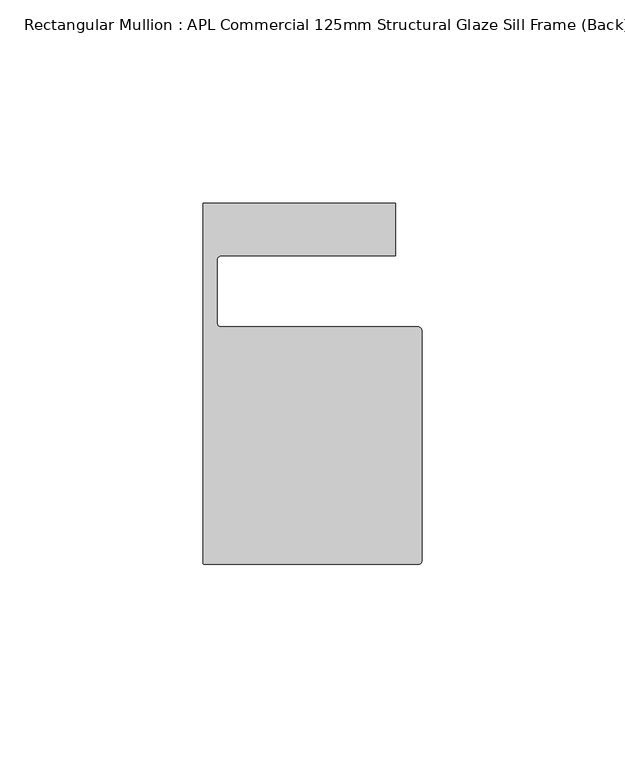
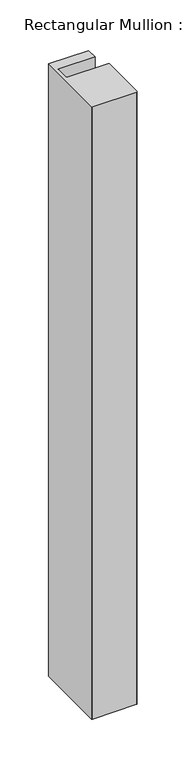
"""IFC4 building model written with IfcOpenShell, lengths in millimetres: member geometry, Rectangular Mullion : APL Commercial 125mm Structural Glaze Sill Frame (Back)."""

from ifc_helpers import new_model, si_unit, frame, origin, place, context, project, spatial, polyline, circle_curve, source, transform, mapped, element, save
from ifc_brep_helpers import plane_surface, cylinder_surface, revolved_surface, advanced_brep


def rectangular_mullion_apl_commercial_125mm_structural_glaze_19a30644(model_context):
    return source(origin(), model_context, "Body", "AdvancedBrep", [
        advanced_brep(
        [(-53.5000029, -104.0, 0.0), (-1.0000025, -104.0, 0.0), (-2.5e-06, -103.0, 0.0), (0.0, -46.5010268, 0.0), (-1.0, -45.5010268, 0.0), (-49.5000004, -45.5010268, 0.0), (-50.5000004, -44.5010268, 0.0), (-50.5000029, -29.0004332, 0.0), (-49.5000029, -28.0004332, 0.0), (-6.5000029, -28.0004332, 0.0), (-6.5000029, -15.0004332, 0.0), (-54.0000029, -15.0004332, 0.0), (-54.0000029, -103.5, 0.0), (-53.5000029, -104.0, -767.0863351), (-54.0000029, -103.5, -767.0863351), (-54.0000029, -15.0004332, -767.0863351), (-6.5000029, -15.0004332, -767.0863351), (-6.5000029, -28.0004332, -767.0863351), (-49.5000029, -28.0004332, -767.0863351), (-50.5000029, -29.0004332, -767.0863351), (-50.5000029, -44.5010268, -767.0863351), (-49.5000004, -45.5010268, -767.0863351), (-1.0, -45.5010268, -767.0863351), (0.0, -46.5010268, -767.0863351), (0.0, -103.0, -767.0863351), (-1.0000025, -104.0, -767.0863351)],
        [
            (0, 1),
            (1, 2, circle_curve(frame((-1.0000025, -103.0, 0.0), z_axis=(0.0, 0.0, 1.0), x_axis=(0.9999999999996143, -8.78371761103865e-07, 0.0)), 1.0)),
            (2, 3),
            (3, 4, circle_curve(frame((-1.0, -46.5010268, 0.0), z_axis=(0.0, 0.0, 1.0), x_axis=(0.0, 1.0, 0.0)), 1.0)),
            (4, 5),
            (5, 6, circle_curve(frame((-49.5000004, -44.5010268, 0.0), z_axis=(0.0, 0.0, -1.0), x_axis=(-0.9999999999998819, -4.863123717036027e-07, 0.0)), 1.0)),
            (6, 7),
            (7, 8, circle_curve(frame((-49.5000029, -29.0004332, 0.0), z_axis=(0.0, 0.0, -1.0), x_axis=(0.0, 1.0, 0.0)), 1.0)),
            (8, 9),
            (9, 10),
            (10, 11),
            (11, 12),
            (12, 0, circle_curve(frame((-53.5000029, -103.5, 0.0), z_axis=(0.0, 0.0, 1.0), x_axis=(0.0, -1.0, 0.0)), 0.5)),
            (13, 14, circle_curve(frame((-53.5000029, -103.5, -767.0863351), z_axis=(0.0, 0.0, -1.0), x_axis=(0.0, -1.0, 0.0)), 0.5)),
            (14, 15),
            (15, 16),
            (16, 17),
            (17, 18),
            (18, 19, circle_curve(frame((-49.5000029, -29.0004332, -767.0863351), z_axis=(0.0, 0.0, 1.0), x_axis=(0.0, 1.0, 0.0)), 1.0)),
            (19, 20),
            (20, 21, circle_curve(frame((-49.5000004, -44.5010268, -767.0863351), z_axis=(0.0, 0.0, 1.0), x_axis=(-0.9999999999998819, -4.863123717036027e-07, 0.0)), 1.0)),
            (21, 22),
            (22, 23, circle_curve(frame((-1.0, -46.5010268, -767.0863351), z_axis=(0.0, 0.0, -1.0), x_axis=(0.0, 1.0, 0.0)), 1.0)),
            (23, 24),
            (24, 25, circle_curve(frame((-1.0000025, -103.0, -767.0863351), z_axis=(0.0, 0.0, -1.0), x_axis=(0.9999999999996143, -8.78371761103865e-07, 0.0)), 1.0)),
            (25, 13),
            (0, 13),
            (25, 1),
            (24, 2),
            (23, 3),
            (22, 4),
            (21, 5),
            (20, 6),
            (19, 7),
            (18, 8),
            (17, 9),
            (16, 10),
            (15, 11),
            (14, 12),
        ],
        [
            plane_surface(frame((0.0, -116.986179, 0.0), z_axis=(0.0, 0.0, 1.0), x_axis=(-1.0, 0.0, 0.0))),
            plane_surface(frame((0.0, -116.986179, -767.0863351), z_axis=(0.0, 0.0, -1.0), x_axis=(-1.0, 0.0, 0.0))),
            plane_surface(frame((-53.5000029, -104.0, 0.0), z_axis=(0.0, -1.0, 0.0), x_axis=(0.0, 0.0, -1.0))),
            cylinder_surface(frame((-1.0000025, -103.0, 0.0), z_axis=(0.0, 0.0, 1.0000000000000002), x_axis=(0.9999999999996143, -8.78371761103865e-07, 0.0)), 1.0),
            plane_surface(frame((0.0, -103.0, 0.0), z_axis=(1.0, 0.0, 0.0), x_axis=(0.0, 0.0, -1.0))),
            cylinder_surface(frame((-1.0, -46.5010268, 0.0), z_axis=(0.0, 0.0, 1.0), x_axis=(0.0, 1.0, 0.0)), 1.0),
            plane_surface(frame((-1.0, -45.5010268, 0.0), z_axis=(0.0, 1.0, 0.0), x_axis=(0.0, 0.0, -1.0))),
            revolved_surface(polyline([(-50.50000039999988, -44.50102728631237, -767.0863351000003), (-50.50000039999988, -44.50102728631237, 0.0)]), (-49.5000004, -44.5010268, 0.0), (0.0, 0.0, -1.0000000000000002)),
            plane_surface(frame((-50.5000029, -44.5010268, 0.0), z_axis=(1.0, 0.0, 0.0), x_axis=(0.0, 0.0, -1.0))),
            revolved_surface(polyline([(-49.5000029, -28.0004332, -767.0863351), (-49.5000029, -28.0004332, 0.0)]), (-49.5000029, -29.0004332, 0.0), (0.0, 0.0, -1.0)),
            plane_surface(frame((-49.5000029, -28.0004332, 0.0), z_axis=(0.0, -1.0, 0.0), x_axis=(0.0, 0.0, -1.0))),
            plane_surface(frame((-6.5000029, -28.0004332, 0.0), z_axis=(1.0, 0.0, 0.0), x_axis=(0.0, 0.0, -1.0))),
            plane_surface(frame((-6.5000029, -15.0004332, 0.0), z_axis=(0.0, 1.0, 0.0), x_axis=(0.0, 0.0, -1.0))),
            plane_surface(frame((-54.0000029, -15.0004332, 0.0), z_axis=(-1.0, 0.0, 0.0), x_axis=(0.0, 0.0, -1.0))),
            cylinder_surface(frame((-53.5000029, -103.5, 0.0), z_axis=(0.0, 0.0, 1.0), x_axis=(0.0, -1.0, 0.0)), 0.5),
        ],
        [
            (0, [[1, 2, 3, 4, 5, 6, 7, 8, 9, 10, 11, 12, 13]]),
            (1, [[14, 15, 16, 17, 18, 19, 20, 21, 22, 23, 24, 25, 26]]),
            (2, [[-1, 27, -26, 28]]),
            (3, [[-2, -28, -25, 29]]),
            (4, [[-3, -29, -24, 30]]),
            (5, [[-4, -30, -23, 31]]),
            (6, [[-5, -31, -22, 32]]),
            (7, [[-6, -32, -21, 33]]),
            (8, [[-7, -33, -20, 34]]),
            (9, [[-8, -34, -19, 35]]),
            (10, [[-9, -35, -18, 36]]),
            (11, [[-10, -36, -17, 37]]),
            (12, [[-11, -37, -16, 38]]),
            (13, [[-12, -38, -15, 39]]),
            (14, [[-13, -39, -14, -27]]),
        ],
    ),
    ])


if __name__ == "__main__":
    model = new_model("IFC4")
    model_context = context("Model", 3, world=origin())
    ifc_project = project(units=[si_unit("LENGTHUNIT", "METRE", prefix="MILLI")], contexts=[model_context])
    site = spatial("IfcSite", under=ifc_project)
    building = spatial("IfcBuilding", under=site)
    placement = place(None, origin())
    rectangular_mullion_apl_commercial_125mm_structural_glaze_shape = rectangular_mullion_apl_commercial_125mm_structural_glaze_19a30644(model_context)
    element("IfcMember", 1, ObjectType="Rectangular Mullion : APL Commercial 125mm Structural Glaze Sill Frame (Back)", at=placement, inside=building, context=model_context, shape_type="MappedRepresentation", body=[
        mapped(rectangular_mullion_apl_commercial_125mm_structural_glaze_shape, transform((0.0, 0.0, 0.0), x_axis=(1.0, 0.0, 0.0), y_axis=(0.0, 1.0, 0.0), z_axis=(0.0, 0.0, 1.0))),
    ])
    save(model, "model.ifc")
